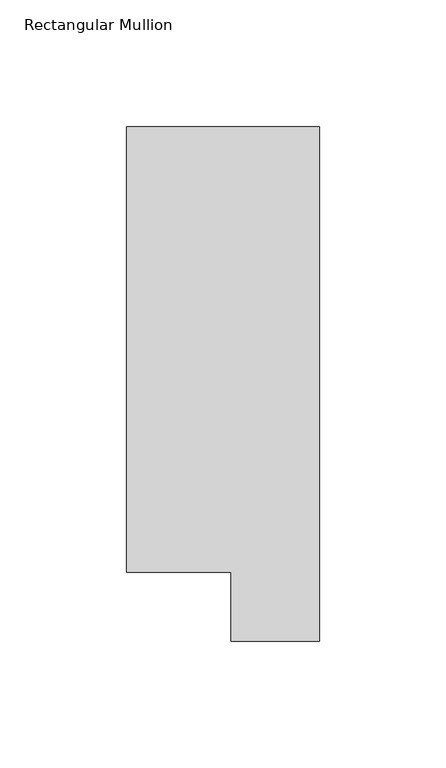
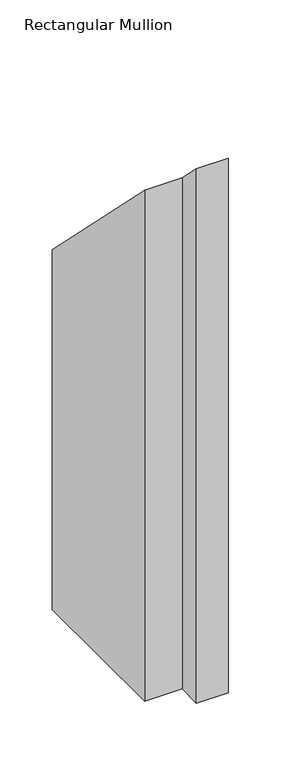
"""IFC4 building model written with IfcOpenShell, lengths in millimetres: member geometry, Rectangular Mullion."""

from ifc_helpers import new_model, si_unit, origin, place, context, project, spatial, faceted_brep, source, transform, mapped, element, save


def rectangular_mullion_5d770597(model_context):
    return source(origin(), model_context, "Body", "Brep", [
        faceted_brep([(0.0, 222.5381312, -641.35), (0.0, 19.5667312, -641.35), (-34.9123, 19.5667312, -641.35), (-34.9123, 46.7447302, -641.35), (-76.2, 46.7447302, -641.35), (-76.2, 222.5381312, -641.35), (-76.2, 222.5381312, -222.5381313), (0.0, 222.5381312, -222.5381313), (-76.2, 46.7447302, -46.7447302), (-34.9123, 46.7447302, -46.7447302), (-34.9123, 19.5667312, -19.5667312), (0.0, 19.5667312, -19.5667312)], [[[0, 1, 2, 3, 4, 5]], [[6, 7, 0, 5]], [[8, 6, 5, 4]], [[9, 8, 4, 3]], [[10, 9, 3, 2]], [[11, 10, 2, 1]], [[7, 11, 1, 0]], [[7, 6, 8, 9, 10, 11]]]),
    ])


if __name__ == "__main__":
    model = new_model("IFC4")
    model_context = context("Model", 3, world=origin())
    ifc_project = project(units=[si_unit("LENGTHUNIT", "METRE", prefix="MILLI")], contexts=[model_context])
    site = spatial("IfcSite", under=ifc_project)
    building = spatial("IfcBuilding", under=site)
    placement = place(None, origin())
    rectangular_mullion_shape = rectangular_mullion_5d770597(model_context)
    element("IfcMember", 1, ObjectType="Rectangular Mullion", at=placement, inside=building, context=model_context, shape_type="MappedRepresentation", body=[
        mapped(rectangular_mullion_shape, transform((0.0, 0.0, 0.0), x_axis=(1.0, 0.0, 0.0), y_axis=(0.0, 1.0, 0.0), z_axis=(0.0, 0.0, 1.0))),
    ])
    save(model, "model.ifc")
